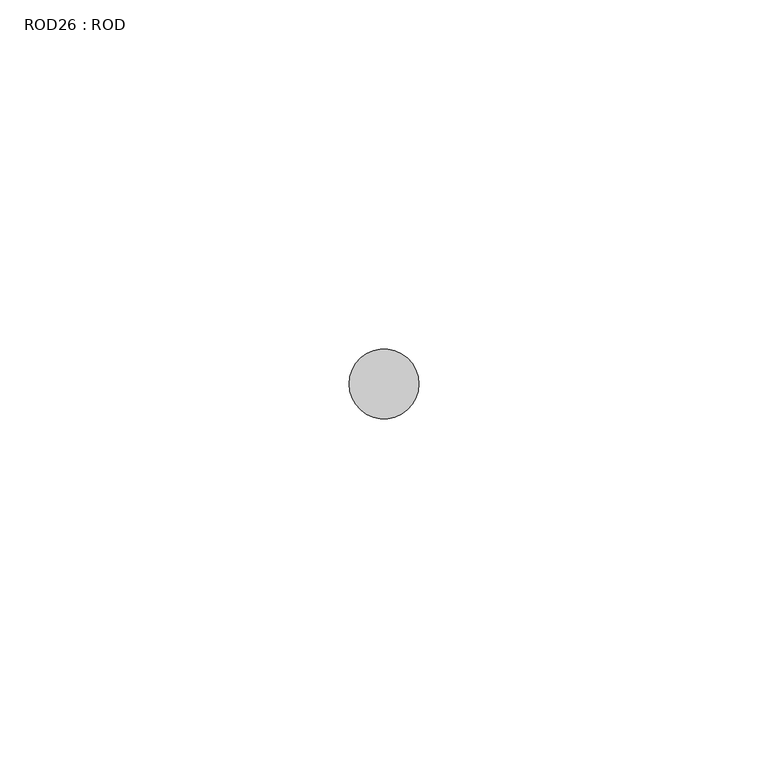
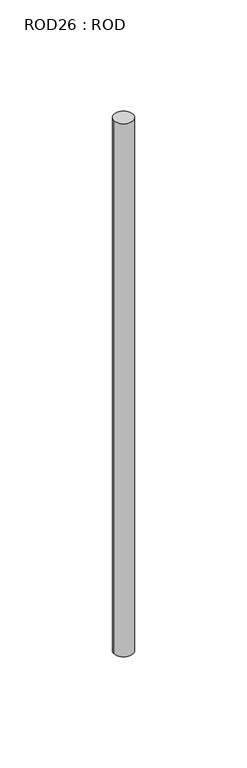
"""IFC4 building model written with IfcOpenShell, lengths in millimetres: proxy geometry, ROD26 : ROD."""

from ifc_helpers import new_model, si_unit, point, frame, frame_2d, origin, place, context, project, spatial, circle_curve, trimmed, segment, composite_curve, outline, extrude, source, transform, mapped, element, save


def rod26_rod_a94fc56d(model_context):
    return source(origin(), model_context, "Body", "SweptSolid", [
        extrude(outline(composite_curve([segment(trimmed(circle_curve(frame_2d((-3507.2215616, -1114.6300853)), 5.0), [point((-3512.2215616, -1114.6300853))], [point((-3502.2215616, -1114.6300853))], False, "CARTESIAN"), True, "CONTINUOUS"), segment(trimmed(circle_curve(frame_2d((-3507.2215616, -1114.6300853)), 5.0), [point((-3502.2215616, -1114.6300853))], [point((-3512.2215616, -1114.6300853))], False, "CARTESIAN"), True, "CONTINUOUS")], self_intersect=False)), frame((0.0, 0.0, -208.6608845), z_axis=(0.0, 0.0, 1.0), x_axis=(1.0, 0.0, 0.0)), (0.0, 0.0, 1.0), 298.9028972),
    ])


if __name__ == "__main__":
    model = new_model("IFC4")
    model_context = context("Model", 3, world=origin())
    ifc_project = project(units=[si_unit("LENGTHUNIT", "METRE", prefix="MILLI")], contexts=[model_context])
    site = spatial("IfcSite", under=ifc_project)
    building = spatial("IfcBuilding", under=site)
    placement = place(None, origin())
    rod26_rod_shape = rod26_rod_a94fc56d(model_context)
    element("IfcBuildingElementProxy", 1, Name="ROD26 : ROD", ObjectType="ROD26 : ROD", at=placement, inside=building, context=model_context, shape_type="MappedRepresentation", body=[
        mapped(rod26_rod_shape, transform((0.0, 0.0, 0.0), x_axis=(1.0, 0.0, 0.0), y_axis=(0.0, 1.0, 0.0), z_axis=(0.0, 0.0, 1.0))),
    ])
    save(model, "model.ifc")
